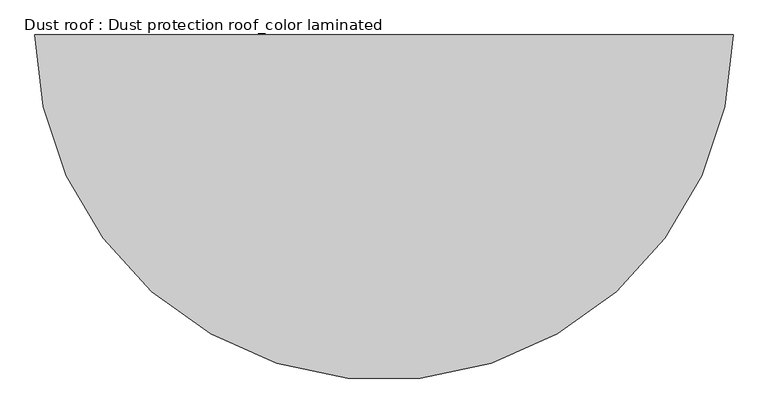
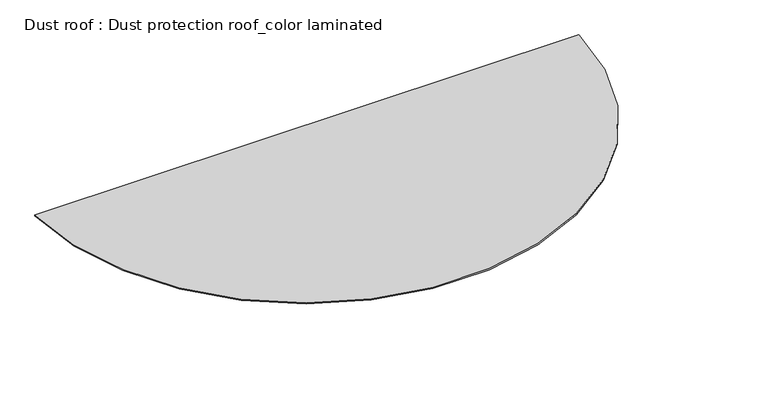
"""IFC4 building model written with IfcOpenShell, lengths in millimetres: proxy geometry, Dust roof : Dust protection roof_color laminated."""

from ifc_helpers import new_model, si_unit, point, origin, origin_with_axes, origin_2d, place, context, project, spatial, polyline, circle_curve, trimmed, segment, composite_curve, outline, extrude, source, transform, mapped, element, save


def dust_roof_dust_protection_roof_color_laminated_39f5e2b0(model_context):
    return source(origin(), model_context, "Body", "SweptSolid", [
        extrude(outline(composite_curve([segment(trimmed(circle_curve(origin_2d(), 2136.0), [point((2135.8536935, -25.0))], [point((-2135.8536935, -25.0))], False, "CARTESIAN"), True, "CONTINUOUS"), segment(polyline([(-2135.8536935, -25.0), (2135.8536935, -25.0)]), True, "CONTINUOUS")], self_intersect=False)), origin_with_axes(), (0.0, 0.0, 1.0), 10.0),
    ])


if __name__ == "__main__":
    model = new_model("IFC4")
    model_context = context("Model", 3, world=origin())
    ifc_project = project(units=[si_unit("LENGTHUNIT", "METRE", prefix="MILLI")], contexts=[model_context])
    site = spatial("IfcSite", under=ifc_project)
    building = spatial("IfcBuilding", under=site)
    placement = place(None, origin())
    dust_roof_dust_protection_roof_color_laminated_shape = dust_roof_dust_protection_roof_color_laminated_39f5e2b0(model_context)
    element("IfcBuildingElementProxy", 1, Name="Dust roof : Dust protection roof_color laminated", ObjectType="Dust roof : Dust protection roof_color laminated", at=placement, inside=building, context=model_context, shape_type="MappedRepresentation", body=[
        mapped(dust_roof_dust_protection_roof_color_laminated_shape, transform((0.0, 0.0, 0.0), x_axis=(1.0, 0.0, 0.0), y_axis=(0.0, 1.0, 0.0), z_axis=(0.0, 0.0, 1.0))),
    ])
    save(model, "model.ifc")
